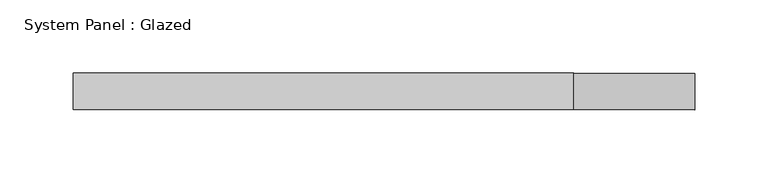
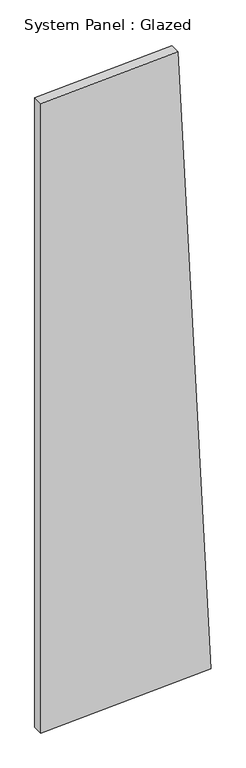
"""IFC4 building model written with IfcOpenShell, lengths in millimetres: plate geometry, System Panel : Glazed."""

from ifc_helpers import new_model, si_unit, frame, origin, place, context, project, spatial, polyline, outline, extrude, source, transform, mapped, element, save


def system_panel_glazed_3f1d40fa(model_context):
    return source(origin(), model_context, "Body", "SweptSolid", [
        extrude(outline(polyline([(0.0, -212.5093575), (21.2509357, 212.5093575), (1675.4074646, 129.801531), (1658.2919201, -212.5093575), (0.0, -212.5093575)])), frame((0.0, 24.5, 0.0), z_axis=(0.0, 1.0, 0.0), x_axis=(0.0, 0.0, 1.0)), (0.0, 0.0, 1.0), 25.0),
    ])


if __name__ == "__main__":
    model = new_model("IFC4")
    model_context = context("Model", 3, world=origin())
    ifc_project = project(units=[si_unit("LENGTHUNIT", "METRE", prefix="MILLI")], contexts=[model_context])
    site = spatial("IfcSite", under=ifc_project)
    building = spatial("IfcBuilding", under=site)
    placement = place(None, origin())
    system_panel_glazed_shape = system_panel_glazed_3f1d40fa(model_context)
    element("IfcPlate", 1, ObjectType="System Panel : Glazed", at=placement, inside=building, context=model_context, shape_type="MappedRepresentation", body=[
        mapped(system_panel_glazed_shape, transform((0.0, 0.0, 0.0), x_axis=(1.0, 0.0, 0.0), y_axis=(0.0, 1.0, 0.0), z_axis=(0.0, 0.0, 1.0))),
    ])
    save(model, "model.ifc")
